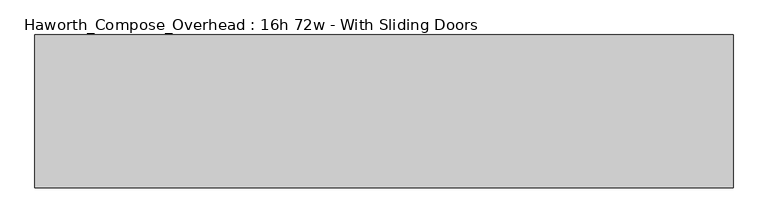
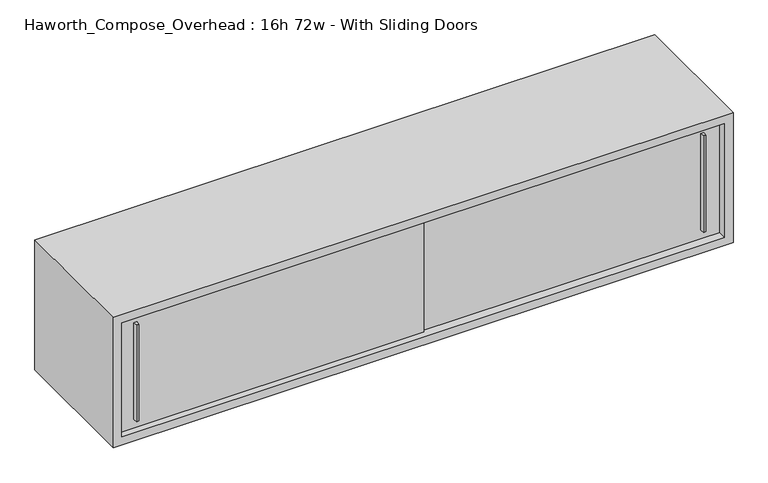
"""IFC4 building model written with IfcOpenShell, lengths in millimetres: furniture geometry, Haworth_Compose_Overhead : 16h 72w - With Sliding Doors."""

import ifcopenshell
import ifcopenshell.guid

model = None  # the IFC model being written
_history = None  # IfcOwnerHistory: only IFC2X3 demands one
_inside = {}  # id of a spatial element -> (the spatial element, [elements in it])
_under = {}  # id of a project, library or spatial element -> (it, [spatial elements below it])
_declared = {}  # id of a project -> (the project, [libraries it declares])
_typed = {}  # id of a type object -> (the type object, [elements of that type])
_made_of = {}  # id of a material, layer set ... -> (it, [elements and type objects made of it])


def new_model(schema):
    """Start an empty IFC model of exactly this schema.

    Asked for "IFC4X3", IfcOpenShell would pick the latest addendum, in which some entities
    have other attributes; the version numbers below select the first issue.
    IFC2X3 requires an IfcOwnerHistory on every rooted entity: one is made here for all.
    """
    global model, _history
    if schema == "IFC4X3":
        model = ifcopenshell.file(schema_version=(4, 3, 0, 0))
    else:
        model = ifcopenshell.file(schema=schema)
    _inside.clear()
    _under.clear()
    _declared.clear()
    _typed.clear()
    _made_of.clear()
    _history = None
    if model.schema == "IFC2X3":
        org = make("IfcOrganization", Name="unknown")
        user = make(
            "IfcPersonAndOrganization",
            ThePerson=make("IfcPerson", FamilyName="unknown"),
            TheOrganization=org,
        )
        app = make(
            "IfcApplication",
            ApplicationDeveloper=org,
            Version="unknown",
            ApplicationFullName="unknown",
            ApplicationIdentifier="unknown",
        )
        _history = make(
            "IfcOwnerHistory",
            OwningUser=user,
            OwningApplication=app,
            ChangeAction="ADDED",
            CreationDate=0,
        )
    return model


def make(cls, **values):
    """One entity of the class cls with the attributes given. An attribute that is None is left unset."""
    return model.create_entity(
        cls, **{name: value for name, value in values.items() if value is not None}
    )


def rooted(cls, **values):
    """An entity with a GlobalId (a new one), such as an element, a storey or a relation."""
    return make(cls, GlobalId=ifcopenshell.guid.new(), OwnerHistory=_history, **values)


def si_unit(unit_type, name, prefix=None):
    """IfcSIUnit, for example si_unit("LENGTHUNIT", "METRE", prefix="MILLI")."""
    return make("IfcSIUnit", UnitType=unit_type, Prefix=prefix, Name=name)


def assignment(units):
    """IfcUnitAssignment: the units of a project."""
    return None if units is None else make("IfcUnitAssignment", Units=units)


def point(xyz):
    """IfcCartesianPoint."""
    return None if xyz is None else make("IfcCartesianPoint", Coordinates=xyz)


def direction(xyz):
    """IfcDirection."""
    return None if xyz is None else make("IfcDirection", DirectionRatios=xyz)


def frame(location, z_axis=None, x_axis=None):
    """IfcAxis2Placement3D, a coordinate frame: its origin and axes. An axis left out is left unset."""
    return make(
        "IfcAxis2Placement3D",
        Location=point(location),
        Axis=direction(z_axis),
        RefDirection=direction(x_axis),
    )


def origin():
    """The frame at (0, 0, 0) with its axes left unset."""
    return frame((0.0, 0.0, 0.0))


def place(relative_to, where):
    """IfcLocalPlacement: puts the frame where relative to a parent placement (None: the world)."""
    return make(
        "IfcLocalPlacement", PlacementRelTo=relative_to, RelativePlacement=where
    )


def context(
    kind, dimensions, precision=None, world=None, true_north=None, identifier=None
):
    """IfcGeometricRepresentationContext, for example the 3D "Model" context."""
    return make(
        "IfcGeometricRepresentationContext",
        ContextIdentifier=identifier,
        ContextType=kind,
        CoordinateSpaceDimension=dimensions,
        Precision=precision,
        WorldCoordinateSystem=world,
        TrueNorth=true_north,
    )


def project(units=None, contexts=None):
    """IfcProject with its units and contexts."""
    return rooted(
        "IfcProject",
        Name="project",
        RepresentationContexts=contexts,
        UnitsInContext=assignment(units),
    )


def spatial(cls, under=None, at=None, **own):
    """A site, building, storey or space (cls), placed at a placement, below another one or the project."""
    s = rooted(cls, ObjectPlacement=at, **own)
    if under is not None:
        _under.setdefault(under.id(), (under, []))[1].append(s)
    return s


def polyline(points):
    """IfcPolyline through the points."""
    return make("IfcPolyline", Points=[point(p) for p in points])


def outline(outer, holes=None, kind="AREA"):
    """IfcArbitraryClosedProfileDef: a profile drawn as a closed curve; with holes, ...WithVoids."""
    if holes is None:
        return make("IfcArbitraryClosedProfileDef", ProfileType=kind, OuterCurve=outer)
    return make(
        "IfcArbitraryProfileDefWithVoids",
        ProfileType=kind,
        OuterCurve=outer,
        InnerCurves=holes,
    )


def extrude(swept, where, along, depth):
    """IfcExtrudedAreaSolid: the profile swept, set in the frame where, extruded along a direction by depth."""
    return make(
        "IfcExtrudedAreaSolid",
        SweptArea=swept,
        Position=where,
        ExtrudedDirection=direction(along),
        Depth=depth,
    )


def shape(context_of_items, identifier, shape_type, items):
    """IfcShapeRepresentation: the items that make up one representation, for example the "Body"."""
    return make(
        "IfcShapeRepresentation",
        ContextOfItems=context_of_items,
        RepresentationIdentifier=identifier,
        RepresentationType=shape_type,
        Items=items,
    )


def source(mapping_origin, context_of_items, identifier, shape_type, items):
    """IfcRepresentationMap: a shape defined once, which mapped items show again and again."""
    return make(
        "IfcRepresentationMap",
        MappingOrigin=mapping_origin,
        MappedRepresentation=shape(context_of_items, identifier, shape_type, items),
    )


def transform(
    local_origin,
    x_axis=None,
    y_axis=None,
    z_axis=None,
    scale=None,
    scale2=None,
    scale3=None,
    uniform=True,
):
    """IfcCartesianTransformationOperator3D, or its non-uniform kind. x_axis, y_axis, z_axis: its Axis1, 2, 3."""
    if uniform:
        return make(
            "IfcCartesianTransformationOperator3D",
            Axis1=direction(x_axis),
            Axis2=direction(y_axis),
            LocalOrigin=point(local_origin),
            Scale=scale,
            Axis3=direction(z_axis),
        )
    return make(
        "IfcCartesianTransformationOperator3DnonUniform",
        Axis1=direction(x_axis),
        Axis2=direction(y_axis),
        LocalOrigin=point(local_origin),
        Scale=scale,
        Axis3=direction(z_axis),
        Scale2=scale2,
        Scale3=scale3,
    )


def mapped(mapping_source, mapping_target):
    """IfcMappedItem: shows the shape of a source again, moved by a transform."""
    return make(
        "IfcMappedItem", MappingSource=mapping_source, MappingTarget=mapping_target
    )


def made_of(thing, what):
    """Note that an element or type object is made of a material, layer set ...; save() writes the relation."""
    if what is not None:
        _made_of.setdefault(what.id(), (what, []))[1].append(thing)
    return thing


def element(
    cls,
    number,
    at=None,
    inside=None,
    cuts=None,
    type_object=None,
    material=None,
    context=None,
    identifier="Body",
    shape_type=None,
    held_by="IfcProductDefinitionShape",
    body=None,
    shapes=None,
    **own,
):
    """One element of the class cls, such as IfcWall. Its Tag is "e" and its number.

    at: its placement. inside: the storey or other place that contains it. cuts: it is an
    opening in that element (IfcRelVoidsElement). A single representation is given by context,
    identifier, shape_type and body (its items); several are given by shapes. held_by: the class
    of the entity that holds the representations. save() writes the other relations.
    """
    e = rooted(cls, Tag="e%d" % number, ObjectPlacement=at, **own)
    if body is not None:
        shapes = [shape(context, identifier, shape_type, body)]
    if shapes is not None:
        e.Representation = make(held_by, Representations=shapes)
    if inside is not None:
        _inside.setdefault(inside.id(), (inside, []))[1].append(e)
    if cuts is not None:
        rooted(
            "IfcRelVoidsElement", RelatingBuildingElement=cuts, RelatedOpeningElement=e
        )
    if type_object is not None:
        _typed.setdefault(type_object.id(), (type_object, []))[1].append(e)
    return made_of(e, material)


def aggregate(whole, parts):
    """IfcRelAggregates: a whole, such as a stair, and the parts it consists of."""
    return rooted("IfcRelAggregates", RelatingObject=whole, RelatedObjects=parts)


def save(model, path):
    """Write the relations noted so far, then the file.

    IfcRelAggregates (storeys below a building ...), IfcRelContainedInSpatialStructure (elements
    in a storey), IfcRelDefinesByType, IfcRelAssociatesMaterial and IfcRelDeclares: one each for
    every whole, place, type object, material and project.
    """
    for whole, parts in _under.values():
        aggregate(whole, parts)
    for where, things in _inside.values():
        rooted(
            "IfcRelContainedInSpatialStructure",
            RelatedElements=things,
            RelatingStructure=where,
        )
    for kind, things in _typed.values():
        rooted("IfcRelDefinesByType", RelatedObjects=things, RelatingType=kind)
    for what, things in _made_of.values():
        rooted("IfcRelAssociatesMaterial", RelatedObjects=things, RelatingMaterial=what)
    for by, libraries in _declared.values():
        rooted("IfcRelDeclares", RelatingContext=by, RelatedDefinitions=libraries)
    model.write(path)


def haworth_compose_overhead_16h_72w_with_sliding_doors_5e545cee(model_context):
    return source(origin(), model_context, "Body", "SweptSolid", [
        extrude(outline(polyline([(1006.4750004, -387.3499879), (1000.1249996, -387.3499879), (998.5375011, -374.65), (1008.0624989, -374.65), (1006.4750004, -387.3499879)])), frame((0.0, 0.0, 1322.3875), z_axis=(0.0, 0.0, 1.0), x_axis=(1.0, 0.0, 0.0)), (0.0, 0.0, 1.0), 301.625),
        extrude(outline(polyline([(-669.9249996, -393.6999879), (-676.2750004, -393.6999879), (-677.8624989, -381.0), (-668.3375011, -381.0), (-669.9249996, -393.6999879)])), frame((0.0, 0.0, 1322.3875), z_axis=(0.0, 0.0, 1.0), x_axis=(1.0, 0.0, 0.0)), (0.0, 0.0, 1.0), 301.625),
        extrude(outline(polyline([(-723.9, -374.65), (177.8, -374.65), (177.8, -381.0), (-723.9, -381.0), (-723.9, -374.65)])), frame((0.0, 0.0, 1295.4), z_axis=(0.0, 0.0, 1.0), x_axis=(1.0, 0.0, 0.0)), (0.0, 0.0, 1.0), 355.6),
        extrude(outline(polyline([(152.4, -368.3), (1054.1, -368.3), (1054.1, -374.65), (152.4, -374.65), (152.4, -368.3)])), frame((0.0, 0.0, 1295.4), z_axis=(0.0, 0.0, 1.0), x_axis=(1.0, 0.0, 0.0)), (0.0, 0.0, 1.0), 355.6),
        extrude(outline(polyline([(1054.1, -6.35), (-723.9, -6.35), (-723.9, 0.0), (1054.1, 0.0), (1054.1, -6.35)])), frame((0.0, 0.0, 1295.4), z_axis=(0.0, 0.0, 1.0), x_axis=(1.0, 0.0, 0.0)), (0.0, 0.0, 1.0), 355.6),
        extrude(outline(polyline([(1270.0, 1079.5), (1676.4, 1079.5), (1676.4, -749.3), (1270.0, -749.3), (1270.0, 1079.5)]), holes=[polyline([(1651.0, 1054.1), (1295.4, 1054.1), (1295.4, -723.9), (1651.0, -723.9), (1651.0, 1054.1)])]), frame((0.0, -400.05, 0.0), z_axis=(0.0, 1.0, 0.0), x_axis=(0.0, 0.0, 1.0)), (0.0, 0.0, 1.0), 400.05),
    ])


if __name__ == "__main__":
    model = new_model("IFC4")
    model_context = context("Model", 3, world=origin())
    ifc_project = project(units=[si_unit("LENGTHUNIT", "METRE", prefix="MILLI")], contexts=[model_context])
    site = spatial("IfcSite", under=ifc_project)
    building = spatial("IfcBuilding", under=site)
    placement = place(None, origin())
    haworth_compose_overhead_16h_72w_with_sliding_doors_shape = haworth_compose_overhead_16h_72w_with_sliding_doors_5e545cee(model_context)
    element("IfcFurniture", 1, ObjectType="Haworth_Compose_Overhead : 16h 72w - With Sliding Doors", at=placement, inside=building, context=model_context, shape_type="MappedRepresentation", body=[
        mapped(haworth_compose_overhead_16h_72w_with_sliding_doors_shape, transform((0.0, 0.0, 0.0), x_axis=(1.0, 0.0, 0.0), y_axis=(0.0, 1.0, 0.0), z_axis=(0.0, 0.0, 1.0))),
    ])
    save(model, "model.ifc")
